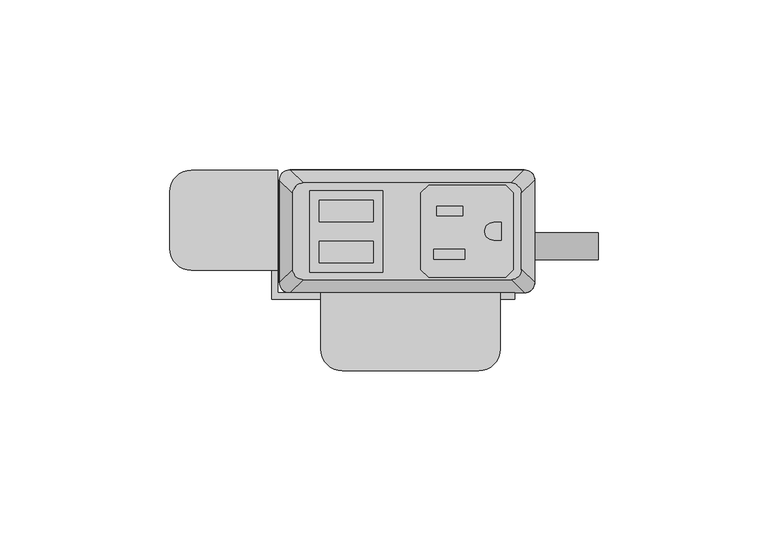
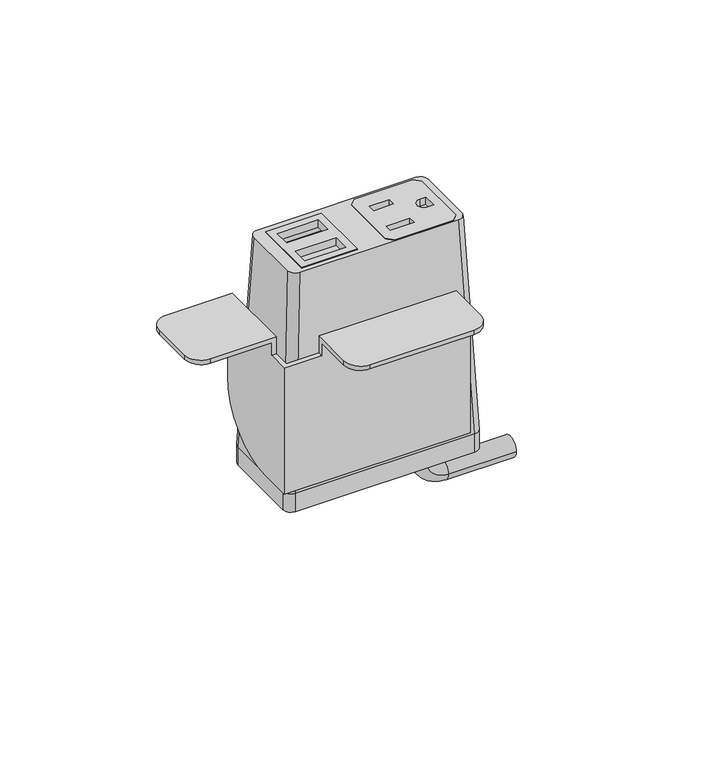
"""IFC4 building model written with IfcOpenShell, lengths in millimetres: furniture geometry."""

from ifc_helpers import new_model, si_unit, point, frame, frame_2d, origin, place, context, project, spatial, polyline, circle_curve, ellipse_curve, trimmed, segment, composite_curve, outline, extrude, source, transform, mapped, element, save
from ifc_brep_helpers import plane_surface, cylinder_surface, revolved_surface, extruded_surface, advanced_brep


def furniture_1d8db78a(model_context):
    return source(origin(), model_context, "Body", "SolidModel", [
        extrude(outline(polyline([(28.9877496, 31.6867491), (31.2737497, 29.400774), (31.2737497, 6.7950272), (28.9877496, 4.5090526), (6.3817502, 4.5090526), (4.0957501, 6.7950272), (4.0957501, 29.400774), (6.3817502, 31.6867491), (28.9877496, 31.6867491)]), holes=[polyline([(16.3893498, 25.5262103), (8.71855, 25.5262103), (8.71855, 22.6814439), (16.3893498, 22.6814439), (16.3893498, 25.5262103)]), polyline([(17.0497496, 12.7755533), (7.8041498, 12.7755533), (7.8041498, 9.9307858), (17.0497496, 9.9307858), (17.0497496, 12.7755533)]), composite_curve([segment(polyline([(27.7177508, 20.7140722), (25.4427305, 20.7140722)]), True, "CONTINUOUS"), segment(trimmed(circle_curve(frame_2d((25.4427305, 18.0979012)), 2.616171), [point((25.4427305, 20.7140722))], [point((25.4427305, 15.4817301))], True, "CARTESIAN"), True, "CONTINUOUS"), segment(polyline([(25.4427305, 15.4817301), (27.7177508, 15.4817301), (27.7177508, 20.7140722)]), True, "CONTINUOUS")], self_intersect=False)]), frame((0.0, 0.0, 720.9747365), z_axis=(0.0, 0.0, 1.0), x_axis=(1.0, 0.0, 0.0)), (0.0, 0.0, 1.0), 2.9555086),
        extrude(outline(polyline([(-28.6985163, 30.0736276), (-7.143469, 30.0736276), (-7.143469, 6.0162042), (-28.6985163, 6.0162042), (-28.6985163, 30.0736276)]), holes=[polyline([(-9.9834931, 27.2024139), (-25.8584916, 27.2025547), (-25.8584916, 20.8524858), (-9.9834931, 20.8524858), (-9.9834931, 27.2024139)]), polyline([(-9.9834931, 15.1725012), (-25.8584916, 15.1726408), (-25.8584916, 8.8225725), (-9.9834931, 8.8225725), (-9.9834931, 15.1725012)])]), frame((0.0, 0.0, 720.9747365), z_axis=(0.0, 0.0, 1.0), x_axis=(1.0, 0.0, 0.0)), (0.0, 0.0, 1.0), 2.9555086),
        advanced_brep(
        [(-30.6070003, 32.3219007, 723.9170623), (-33.6549997, 29.2739013, 723.9170623), (-33.6549997, 6.9219002, 723.9170623), (-30.6070003, 3.8739008, 723.9170623), (30.6070003, 3.8739008, 723.9170623), (33.6549997, 6.9219002, 723.9170623), (33.6549997, 29.2739013, 723.9170623), (30.6070003, 32.3219007, 723.9170623), (-7.143469, 30.0736276, 723.9170623), (-7.143469, 6.0162042, 723.9170623), (-28.6985163, 6.0162042, 723.9170623), (-28.6985163, 30.0736276, 723.9170623), (4.0957501, 29.400774, 723.9170623), (6.3817502, 31.6867491, 723.9170623), (28.9877496, 31.6867491, 723.9170623), (31.2737497, 29.400774, 723.9170623), (31.2737497, 6.7950272, 723.9170623), (28.9877496, 4.5090526, 723.9170623), (6.3817502, 4.5090526, 723.9170623), (4.0957501, 6.7950272, 723.9170623), (-34.5440011, 36.1954015, 637.5702434), (34.5440011, 36.1954015, 637.5702434), (37.5920005, 33.1474021, 637.5702434), (37.5920005, 3.0484002, 637.5702434), (34.5440011, 0.0004009, 637.5702434), (-34.5440011, 0.0004009, 637.5702434), (-37.5920005, 3.0484002, 637.5702434), (-37.5920005, 33.1474021, 637.5702434), (-7.143469, 30.0736276, 716.7751211), (-28.6985163, 30.0736276, 716.7751211), (-28.6985163, 6.0162042, 716.7751211), (-7.143469, 6.0162042, 716.7751211), (4.0957501, 29.400774, 716.7751211), (4.0957501, 6.7950272, 716.7751211), (6.3817502, 4.5090526, 716.7751211), (28.9877496, 4.5090526, 716.7751211), (31.2737497, 6.7950272, 716.7751211), (31.2737497, 29.400774, 716.7751211), (28.9877496, 31.6867491, 716.7751211), (6.3817502, 31.6867491, 716.7751211)],
        [
            (0, 1, circle_curve(frame((-30.6070003, 29.2739013, 723.9170623), z_axis=(0.0, 0.0, 1.0), x_axis=(-1.0, 0.0, 0.0)), 3.0479994)),
            (1, 2),
            (2, 3, circle_curve(frame((-30.6070003, 6.9219002, 723.9170623), z_axis=(0.0, 0.0, 1.0), x_axis=(-1.0, 0.0, 0.0)), 3.0479994)),
            (3, 4),
            (4, 5, circle_curve(frame((30.6070003, 6.9219002, 723.9170623), z_axis=(0.0, 0.0, 1.0), x_axis=(-1.0, 0.0, 0.0)), 3.0479994)),
            (5, 6),
            (6, 7, circle_curve(frame((30.6070003, 29.2739013, 723.9170623), z_axis=(0.0, 0.0, 1.0), x_axis=(-1.0, 0.0, 0.0)), 3.0479994)),
            (7, 0),
            (8, 9),
            (9, 10),
            (10, 11),
            (11, 8),
            (12, 13),
            (13, 14),
            (14, 15),
            (15, 16),
            (16, 17),
            (17, 18),
            (18, 19),
            (19, 12),
            (20, 21),
            (21, 22, circle_curve(frame((34.5440011, 33.1474021, 637.5702434), z_axis=(0.0, 0.0, -1.0), x_axis=(-1.0, 0.0, 0.0)), 3.0479994)),
            (22, 23),
            (23, 24, circle_curve(frame((34.5440011, 3.0484002, 637.5702434), z_axis=(0.0, 0.0, -1.0), x_axis=(-1.0, 0.0, 0.0)), 3.0479994)),
            (24, 25),
            (25, 26, circle_curve(frame((-34.5440011, 3.0484002, 637.5702434), z_axis=(0.0, 0.0, -1.0), x_axis=(-1.0, 0.0, 0.0)), 3.0479994)),
            (26, 27),
            (27, 20, circle_curve(frame((-34.5440011, 33.1474021, 637.5702434), z_axis=(0.0, 0.0, -1.0), x_axis=(-1.0, 0.0, 0.0)), 3.0479994)),
            (0, 20),
            (27, 1),
            (26, 2),
            (25, 3),
            (24, 4),
            (23, 5),
            (22, 6),
            (21, 7),
            (28, 29),
            (29, 30),
            (30, 31),
            (31, 28),
            (32, 33),
            (33, 34),
            (34, 35),
            (35, 36),
            (36, 37),
            (37, 38),
            (38, 39),
            (39, 32),
            (31, 9),
            (8, 28),
            (30, 10),
            (29, 11),
            (39, 13),
            (12, 32),
            (38, 14),
            (37, 15),
            (36, 16),
            (35, 17),
            (34, 18),
            (33, 19),
        ],
        [
            plane_surface(frame((0.0, 18.0979007, 723.9170623), z_axis=(0.0, 0.0, 1.0), x_axis=(-1.0, 0.0, 0.0))),
            plane_surface(frame((0.0, 18.0979012, 637.5702434), z_axis=(0.0, 0.0, -1.0), x_axis=(-1.0, 0.0, 0.0))),
            extruded_surface(trimmed(circle_curve(frame((-34.5440011, 33.1474021, 637.5702434), z_axis=(0.0, 0.0, 1.0), x_axis=(-1.0, 0.0, 0.0)), 3.0479994), [point((-34.5440011, 36.1954015, 637.5702434))], [point((-37.5920005, 33.1474021, 637.5702434))], True, "CARTESIAN"), (3.9370008000000034, -3.873500800000002, 86.34681890000002), 86.52327500676452),
            plane_surface(frame((-37.5920005, 18.0979012, 637.5702434), z_axis=(-0.9989621566211194, 0.0, 0.04554788292425982), x_axis=(0.0, -1.0, 0.0))),
            extruded_surface(trimmed(circle_curve(frame((-34.5440011, 3.0484002, 637.5702434), z_axis=(0.0, 0.0, 1.0), x_axis=(-1.0, 0.0, 0.0)), 3.0479994), [point((-37.5920005, 3.0484002, 637.5702434))], [point((-34.5440011, 0.0004009, 637.5702434))], True, "CARTESIAN"), (3.9370008000000034, 3.8734999999999995, 86.34681890000002), 86.52327497094987),
            plane_surface(frame((0.0, 0.0004009, 637.5702434), z_axis=(0.0, -0.9989953158490498, 0.044814717578687276), x_axis=(1.0, 0.0, 0.0))),
            extruded_surface(trimmed(circle_curve(frame((34.5440011, 3.0484002, 637.5702434), z_axis=(0.0, 0.0, 1.0), x_axis=(-1.0, 0.0, 0.0)), 3.0479994), [point((34.5440011, 0.0004009, 637.5702434))], [point((37.5920005, 3.0484002, 637.5702434))], True, "CARTESIAN"), (-3.9370008000000034, 3.8734999999999995, 86.34681890000002), 86.52327497094987),
            plane_surface(frame((37.5920005, 18.0979012, 637.5702434), z_axis=(0.9989621566211194, 0.0, 0.04554788292425977), x_axis=(0.0, 1.0, 0.0))),
            extruded_surface(trimmed(circle_curve(frame((34.5440011, 33.1474021, 637.5702434), z_axis=(0.0, 0.0, 1.0), x_axis=(-1.0, 0.0, 0.0)), 3.0479994), [point((37.5920005, 33.1474021, 637.5702434))], [point((34.5440011, 36.1954015, 637.5702434))], True, "CARTESIAN"), (-3.9370008000000034, -3.873500800000002, 86.34681890000002), 86.52327500676452),
            plane_surface(frame((0.0, 36.1954015, 637.5702434), z_axis=(0.0, 0.9989953153818162, 0.04481472799410512), x_axis=(-1.0, 0.0, 0.0))),
            plane_surface(frame((-7.143469, 30.0736276, 716.7751211), z_axis=(0.0, 0.0, 1.0), x_axis=(0.0, -1.0, 0.0))),
            plane_surface(frame((-7.143469, 30.0736276, 716.7751211), z_axis=(-1.0, 0.0, 0.0), x_axis=(0.0, 0.0, 1.0))),
            plane_surface(frame((-7.143469, 6.0162042, 716.7751211), z_axis=(0.0, 1.0, 0.0), x_axis=(0.0, 0.0, 1.0))),
            plane_surface(frame((-28.6985163, 6.0162042, 716.7751211), z_axis=(1.0, 0.0, 0.0), x_axis=(0.0, 0.0, 1.0))),
            plane_surface(frame((-28.6985163, 30.0736276, 716.7751211), z_axis=(0.0, -1.0, 0.0), x_axis=(0.0, 0.0, 1.0))),
            plane_surface(frame((4.0957501, 29.400774, 716.7751211), z_axis=(0.7071029176939239, -0.707110644658062, 0.0), x_axis=(0.0, 0.0, 1.0))),
            plane_surface(frame((6.3817502, 31.6867491, 716.7751211), z_axis=(0.0, -1.0, 0.0), x_axis=(0.0, 0.0, 1.0))),
            plane_surface(frame((28.9877496, 31.6867491, 716.7751211), z_axis=(-0.7071029176939239, -0.707110644658062, 0.0), x_axis=(0.0, 0.0, 1.0))),
            plane_surface(frame((31.2737497, 29.400774, 716.7751211), z_axis=(-1.0, 0.0, 0.0), x_axis=(0.0, 0.0, 1.0))),
            plane_surface(frame((31.2737497, 6.7950272, 716.7751211), z_axis=(-0.7071028298865373, 0.7071107324644781, 0.0), x_axis=(0.0, 0.0, 1.0))),
            plane_surface(frame((28.9877496, 4.5090526, 716.7751211), z_axis=(0.0, 1.0, 0.0), x_axis=(0.0, 0.0, 1.0))),
            plane_surface(frame((6.3817502, 4.5090526, 716.7751211), z_axis=(0.7071028298865373, 0.7071107324644781, 0.0), x_axis=(0.0, 0.0, 1.0))),
            plane_surface(frame((4.0957501, 6.7950272, 716.7751211), z_axis=(1.0, 0.0, 0.0), x_axis=(0.0, 0.0, 1.0))),
        ],
        [
            (0, [[1, 2, 3, 4, 5, 6, 7, 8], [9, 10, 11, 12], [13, 14, 15, 16, 17, 18, 19, 20]]),
            (1, [[21, 22, 23, 24, 25, 26, 27, 28]]),
            (2, [[-1, 29, -28, 30]]),
            (3, [[-2, -30, -27, 31]]),
            (4, [[-3, -31, -26, 32]]),
            (5, [[-4, -32, -25, 33]]),
            (6, [[-5, -33, -24, 34]]),
            (7, [[-6, -34, -23, 35]]),
            (8, [[-7, -35, -22, 36]]),
            (9, [[-8, -36, -21, -29]]),
            (10, [[37, 38, 39, 40]]),
            (10, [[41, 42, 43, 44, 45, 46, 47, 48]]),
            (11, [[-40, 49, -9, 50]]),
            (12, [[-39, 51, -10, -49]]),
            (13, [[-38, 52, -11, -51]]),
            (14, [[-37, -50, -12, -52]]),
            (15, [[-48, 53, -13, 54]]),
            (16, [[-47, 55, -14, -53]]),
            (17, [[-46, 56, -15, -55]]),
            (18, [[-45, 57, -16, -56]]),
            (19, [[-44, 58, -17, -57]]),
            (20, [[-43, 59, -18, -58]]),
            (21, [[-42, 60, -19, -59]]),
            (22, [[-41, -54, -20, -60]]),
        ],
    ),
        advanced_brep(
        [(21.5715504, 17.7128311, 630.0960348), (21.5715504, 9.7137856, 630.0960348), (21.5715504, 17.7128311, 625.2662821), (21.5715504, 9.7137856, 625.2662821), (30.0384415, 9.7137856, 616.799391), (30.0384415, 17.7128311, 616.799391), (56.2588798, 17.7128311, 616.799391), (56.2588798, 9.7137856, 616.799391)],
        [
            (0, 1, circle_curve(frame((21.5715504, 13.7133083, 630.0960348), z_axis=(0.0, 0.0, 1.0), x_axis=(0.0, -1.0, 0.0)), 3.9995228)),
            (1, 0, circle_curve(frame((21.5715504, 13.7133083, 630.0960348), z_axis=(0.0, 0.0, 1.0), x_axis=(0.0, -1.0, 0.0)), 3.9995228)),
            (0, 2),
            (2, 3, circle_curve(frame((21.5715504, 13.7133083, 625.2662821), z_axis=(0.0, 0.0, 1.0), x_axis=(0.0, -1.0, 0.0)), 3.9995228)),
            (3, 1),
            (3, 2, circle_curve(frame((21.5715504, 13.7133083, 625.2662821), z_axis=(0.0, 0.0, 1.0), x_axis=(0.0, -1.0, 0.0)), 3.9995228)),
            (4, 3, circle_curve(frame((30.0384415, 9.7137856, 625.2662821), z_axis=(0.0, 1.0, 0.0), x_axis=(-1.0, 0.0, 0.0)), 8.4668911)),
            (2, 5, circle_curve(frame((30.0384415, 17.7128311, 625.2662821), z_axis=(0.0, -1.0, 0.0), x_axis=(-1.0, 0.0, 0.0)), 8.4668911)),
            (5, 4, circle_curve(frame((30.0384415, 13.7133083, 616.799391), z_axis=(-1.0, 0.0, 0.0), x_axis=(0.0, -1.0, 0.0)), 3.9995228)),
            (4, 5, circle_curve(frame((30.0384415, 13.7133083, 616.799391), z_axis=(-1.0, 0.0, 0.0), x_axis=(0.0, -1.0, 0.0)), 3.9995228)),
            (6, 7, circle_curve(frame((56.2588798, 13.7133083, 616.799391), z_axis=(1.0, 0.0, 0.0), x_axis=(0.0, -1.0, 0.0)), 3.9995228)),
            (7, 6, circle_curve(frame((56.2588798, 13.7133083, 616.799391), z_axis=(1.0, 0.0, 0.0), x_axis=(0.0, -1.0, 0.0)), 3.9995228)),
            (5, 6),
            (7, 4),
        ],
        [
            plane_surface(frame((21.5715504, 0.0, 630.0960348), z_axis=(0.0, 0.0, 1.0), x_axis=(0.0, -1.0, 0.0))),
            cylinder_surface(frame((21.5715504, 13.7133083, 630.0960348), z_axis=(0.0, 0.0, 1.0), x_axis=(0.0, -1.0, 0.0)), 3.9995228),
            revolved_surface(trimmed(ellipse_curve(frame((21.5715504, 13.7133083, 625.2662821), z_axis=(0.0, 0.0, 1.0), x_axis=(0.0, -1.0, 0.0)), 3.9995228, 3.9995228), [point((21.5715504, 17.7128311, 625.2662821))], [point((21.5715504, 9.7137856, 625.2662821))], True, "CARTESIAN"), (30.0384415, 0.0, 625.2662821), (0.0, -1.0, 0.0)),
            revolved_surface(trimmed(ellipse_curve(frame((21.5715504, 13.7133083, 625.2662821), z_axis=(0.0, 0.0, 1.0), x_axis=(0.0, -1.0, 0.0)), 3.9995228, 3.9995228), [point((21.5715504, 9.7137856, 625.2662821))], [point((21.5715504, 17.7128311, 625.2662821))], True, "CARTESIAN"), (30.0384415, 0.0, 625.2662821), (0.0, -1.0, 0.0)),
            plane_surface(frame((56.2588798, 0.0, 616.799391), z_axis=(1.0, 0.0, 0.0), x_axis=(0.0, -1.0, 0.0))),
            cylinder_surface(frame((30.0384415, 13.7133083, 616.799391), z_axis=(-1.0, 0.0, 0.0), x_axis=(0.0, -1.0, 0.0)), 3.9995228),
        ],
        [
            (0, [[1, 2]]),
            (1, [[-1, 3, 4, 5]]),
            (1, [[-2, -5, 6, -3]]),
            (2, [[7, -4, 8, 9]]),
            (3, [[-8, -6, -7, 10]]),
            (4, [[11, 12]]),
            (5, [[-9, 13, -12, 14]]),
            (5, [[-10, -14, -11, -13]]),
        ],
    ),
        extrude(outline(composite_curve([segment(trimmed(circle_curve(frame_2d((34.5440011, 33.1474021)), 3.0479994), [point((34.5440011, 36.1954015))], [point((37.5920005, 33.1474021))], False, "CARTESIAN"), True, "CONTINUOUS"), segment(polyline([(37.5920005, 33.1474021), (37.5920005, 3.0484002)]), True, "CONTINUOUS"), segment(trimmed(circle_curve(frame_2d((34.5440011, 3.0484002)), 3.0479994), [point((37.5920005, 3.0484002))], [point((34.5440011, 0.0004009))], False, "CARTESIAN"), True, "CONTINUOUS"), segment(polyline([(34.5440011, 0.0004009), (-34.5440011, 0.0004009)]), True, "CONTINUOUS"), segment(trimmed(circle_curve(frame_2d((-34.5440011, 3.0484002)), 3.0479994), [point((-34.5440011, 0.0004009))], [point((-37.5920005, 3.0484002))], False, "CARTESIAN"), True, "CONTINUOUS"), segment(polyline([(-37.5920005, 3.0484002), (-37.5920005, 33.1474021)]), True, "CONTINUOUS"), segment(trimmed(circle_curve(frame_2d((-34.5440011, 33.1474021)), 3.0479994), [point((-37.5920005, 33.1474021))], [point((-34.5440011, 36.1954015))], False, "CARTESIAN"), True, "CONTINUOUS"), segment(polyline([(-34.5440011, 36.1954015), (34.5440011, 36.1954015)]), True, "CONTINUOUS")], self_intersect=False)), frame((0.0, 0.0, 630.0960348), z_axis=(0.0, 0.0, 1.0), x_axis=(1.0, 0.0, 0.0)), (0.0, 0.0, 1.0), 7.4742086),
        advanced_brep(
        [(-63.4998651, 6.6265515, 696.722), (-69.8498653, 12.9765517, 696.722), (-69.8498653, 29.7151512, 696.722), (-63.4998645, 36.0651519, 696.722), (-39.877862, 36.0651519, 696.722), (-39.877862, 6.6265515, 696.722), (27.4321373, -16.6144474, 696.722), (21.0821366, -22.9644481, 696.722), (-19.0498626, -22.9644481, 696.722), (-25.3998622, -16.6144485, 696.722), (-25.3998622, -1.9078486, 696.722), (27.4321373, -1.9078486, 696.722), (-63.4998645, 36.0651519, 698.5), (-69.8498653, 29.7151512, 698.5), (-69.8498653, 12.9765517, 698.5), (-63.4998651, 6.6265515, 698.5), (-38.0998637, 6.6265515, 698.5), (-38.0998637, 36.0651519, 698.5), (-25.3998622, 0.0, 698.5), (-25.3998622, -16.6144485, 698.5), (-19.0498626, -22.9644481, 698.5), (21.0821366, -22.9644481, 698.5), (27.4321373, -16.6144474, 698.5), (27.4321373, 0.0, 698.5), (-38.0998637, 36.0651519, 665.4799997), (-39.877862, 36.0651519, 665.4799997), (-39.877862, 6.6265515, 691.6419997), (-38.0998637, 6.6265515, 691.6419997), (-38.0998637, 0.0, 691.6419997), (-38.0998637, 0.0, 640.0800012), (-38.0998637, 10.6651534, 640.0800012), (27.4321373, -1.9078486, 691.6419997), (27.4321373, 0.0, 691.6419997), (31.7501378, 0.0, 691.6419997), (31.7501378, 0.0, 640.0800012), (-25.3998622, 0.0, 691.6419997), (-25.3998622, -1.9078486, 691.6419997), (-39.877862, 10.6651534, 640.0800012), (-39.877862, -1.9078486, 640.0800012), (-39.877862, -1.9078486, 691.6419997), (31.7501378, -1.9078486, 640.0800012), (31.7501378, -1.9078486, 691.6419997)],
        [
            (0, 1, circle_curve(frame((-63.4998651, 12.9765517, 696.722), z_axis=(0.0, 0.0, -1.0), x_axis=(-1.0, 0.0, 0.0)), 6.3500002)),
            (1, 2),
            (2, 3, circle_curve(frame((-63.4998645, 29.7151512, 696.722), z_axis=(0.0, 0.0, -1.0), x_axis=(-1.0, 0.0, 0.0)), 6.3500008)),
            (3, 4),
            (4, 5),
            (5, 0),
            (6, 7, circle_curve(frame((21.0821366, -16.6144474, 696.722), z_axis=(0.0, 0.0, -1.0), x_axis=(-1.0, 0.0, 0.0)), 6.3500008)),
            (7, 8),
            (8, 9, circle_curve(frame((-19.0498626, -16.6144485, 696.722), z_axis=(0.0, 0.0, -1.0), x_axis=(-1.0, 0.0, 0.0)), 6.3499996)),
            (9, 10),
            (10, 11),
            (11, 6),
            (12, 13, circle_curve(frame((-63.4998645, 29.7151512, 698.5), z_axis=(0.0, 0.0, 1.0), x_axis=(-1.0, 0.0, 0.0)), 6.3500008)),
            (13, 14),
            (14, 15, circle_curve(frame((-63.4998651, 12.9765517, 698.5), z_axis=(0.0, 0.0, 1.0), x_axis=(-1.0, 0.0, 0.0)), 6.3500002)),
            (15, 16),
            (16, 17),
            (17, 12),
            (18, 19),
            (19, 20, circle_curve(frame((-19.0498626, -16.6144485, 698.5), z_axis=(0.0, 0.0, 1.0), x_axis=(-1.0, 0.0, 0.0)), 6.3499996)),
            (20, 21),
            (21, 22, circle_curve(frame((21.0821366, -16.6144474, 698.5), z_axis=(0.0, 0.0, 1.0), x_axis=(-1.0, 0.0, 0.0)), 6.3500008)),
            (22, 23),
            (23, 18),
            (3, 12),
            (17, 24),
            (24, 25),
            (25, 4),
            (2, 13),
            (1, 14),
            (0, 15),
            (5, 26),
            (26, 27),
            (27, 16),
            (27, 28),
            (28, 29),
            (29, 30),
            (30, 24, circle_curve(frame((-38.0998637, 10.6651534, 665.4799997), z_axis=(1.0, 0.0, 0.0), x_axis=(0.0, -1.0, 0.0)), 25.3999985)),
            (8, 20),
            (19, 9),
            (7, 21),
            (6, 22),
            (11, 31),
            (31, 32),
            (32, 23),
            (32, 33),
            (33, 34),
            (34, 29),
            (28, 35),
            (35, 18),
            (35, 36),
            (36, 10),
            (25, 37, circle_curve(frame((-39.877862, 10.6651534, 665.4799997), z_axis=(-1.0, 0.0, 0.0), x_axis=(0.0, -1.0, 0.0)), 25.3999985)),
            (37, 38),
            (38, 39),
            (39, 26),
            (30, 37),
            (34, 40),
            (40, 38),
            (40, 41),
            (41, 31),
            (36, 39),
            (41, 33),
        ],
        [
            plane_surface(frame((-63.4998645, 36.0651519, 696.722), z_axis=(0.0, 0.0, -1.0), x_axis=(1.0, 0.0, 0.0))),
            plane_surface(frame((-63.4998645, 36.0651519, 698.5), z_axis=(0.0, 0.0, 1.0), x_axis=(-1.0, 0.0, 0.0))),
            plane_surface(frame((-38.0998637, 36.0651519, 698.5), z_axis=(0.0, 1.0, 0.0), x_axis=(0.0, 0.0, -1.0))),
            cylinder_surface(frame((-63.4998645, 29.7151512, 696.722), z_axis=(0.0, 0.0, 1.0), x_axis=(-1.0, 0.0, 0.0)), 6.3500008),
            plane_surface(frame((-69.8498653, 29.7151512, 698.5), z_axis=(-1.0, 0.0, 0.0), x_axis=(0.0, 0.0, -1.0))),
            cylinder_surface(frame((-63.4998651, 12.9765517, 696.722), z_axis=(0.0, 0.0, 1.0), x_axis=(-1.0, 0.0, 0.0)), 6.3500002),
            plane_surface(frame((-63.4998651, 6.6265515, 698.5), z_axis=(0.0, -1.0, 0.0), x_axis=(0.0, 0.0, -1.0))),
            plane_surface(frame((-38.0998637, 6.6265515, 698.5), z_axis=(1.0, 0.0, 0.0), x_axis=(0.0, 0.0, -1.0))),
            cylinder_surface(frame((-19.0498626, -16.6144485, 698.5), z_axis=(0.0, 0.0, 1.0), x_axis=(-1.0, 0.0, 0.0)), 6.3499996),
            plane_surface(frame((-19.0498626, -22.9644481, 698.5), z_axis=(0.0, -1.0, 0.0), x_axis=(0.0, 0.0, -1.0))),
            cylinder_surface(frame((21.0821366, -16.6144474, 698.5), z_axis=(0.0, 0.0, 1.0), x_axis=(-1.0, 0.0, 0.0)), 6.3500008),
            plane_surface(frame((27.4321373, -16.6144474, 698.5), z_axis=(1.0, 0.0, 0.0), x_axis=(0.0, 0.0, -1.0))),
            plane_surface(frame((27.4321373, 0.0, 698.5), z_axis=(0.0, 1.0, 0.0), x_axis=(0.0, 0.0, -1.0))),
            plane_surface(frame((-25.3998622, 0.0, 698.5), z_axis=(-1.0, 0.0, 0.0), x_axis=(0.0, 0.0, -1.0))),
            plane_surface(frame((-39.877862, 36.0651519, 665.4799997), z_axis=(-1.0, 0.0, 0.0), x_axis=(0.0, 0.0, -1.0))),
            cylinder_surface(frame((-38.0998637, 10.6651534, 665.4799997), z_axis=(-1.0, 0.0, 0.0), x_axis=(0.0, -1.0, 0.0)), 25.3999985),
            plane_surface(frame((-39.877862, 10.6651534, 640.0800012), z_axis=(0.0, 0.0, -1.0), x_axis=(1.0, 0.0, 0.0))),
            plane_surface(frame((-39.877862, -1.9078486, 640.0800012), z_axis=(0.0, -1.0, 0.0), x_axis=(1.0, 0.0, 0.0))),
            plane_surface(frame((-39.877862, -1.9078486, 691.6419997), z_axis=(0.0, 0.0, 1.0), x_axis=(1.0, 0.0, 0.0))),
            plane_surface(frame((31.7501378, -1.9078486, 691.6419997), z_axis=(0.0, 0.0, 1.0), x_axis=(0.0, 1.0, 0.0))),
            plane_surface(frame((31.7501378, -1.9078486, 640.0800012), z_axis=(1.0, 0.0, 0.0), x_axis=(0.0, 1.0, 0.0))),
        ],
        [
            (0, [[1, 2, 3, 4, 5, 6]]),
            (0, [[7, 8, 9, 10, 11, 12]]),
            (1, [[13, 14, 15, 16, 17, 18]]),
            (1, [[19, 20, 21, 22, 23, 24]]),
            (2, [[25, -18, 26, 27, 28, -4]]),
            (3, [[-3, 29, -13, -25]]),
            (4, [[-2, 30, -14, -29]]),
            (5, [[-1, 31, -15, -30]]),
            (6, [[-31, -6, 32, 33, 34, -16]]),
            (7, [[-17, -34, 35, 36, 37, 38, -26]]),
            (8, [[-9, 39, -20, 40]]),
            (9, [[-8, 41, -21, -39]]),
            (10, [[-7, 42, -22, -41]]),
            (11, [[-42, -12, 43, 44, 45, -23]]),
            (12, [[-24, -45, 46, 47, 48, -36, 49, 50]]),
            (13, [[-40, -19, -50, 51, 52, -10]]),
            (14, [[53, 54, 55, 56, -32, -5, -28]]),
            (15, [[-53, -27, -38, 57]]),
            (16, [[-57, -37, -48, 58, 59, -54]]),
            (17, [[-55, -59, 60, 61, -43, -11, -52, 62]]),
            (18, [[-62, -51, -49, -35, -33, -56]]),
            (19, [[-61, 63, -46, -44]]),
            (20, [[-60, -58, -47, -63]]),
        ],
    ),
    ])


if __name__ == "__main__":
    model = new_model("IFC4")
    model_context = context("Model", 3, world=origin())
    ifc_project = project(units=[si_unit("LENGTHUNIT", "METRE", prefix="MILLI")], contexts=[model_context])
    site = spatial("IfcSite", under=ifc_project)
    building = spatial("IfcBuilding", under=site)
    placement = place(None, origin())
    furniture_shape = furniture_1d8db78a(model_context)
    element("IfcFurniture", 1, at=placement, inside=building, context=model_context, shape_type="MappedRepresentation", body=[
        mapped(furniture_shape, transform((0.0, 0.0, 0.0), x_axis=(1.0, 0.0, 0.0), y_axis=(0.0, 1.0, 0.0), z_axis=(0.0, 0.0, 1.0))),
    ])
    save(model, "model.ifc")
